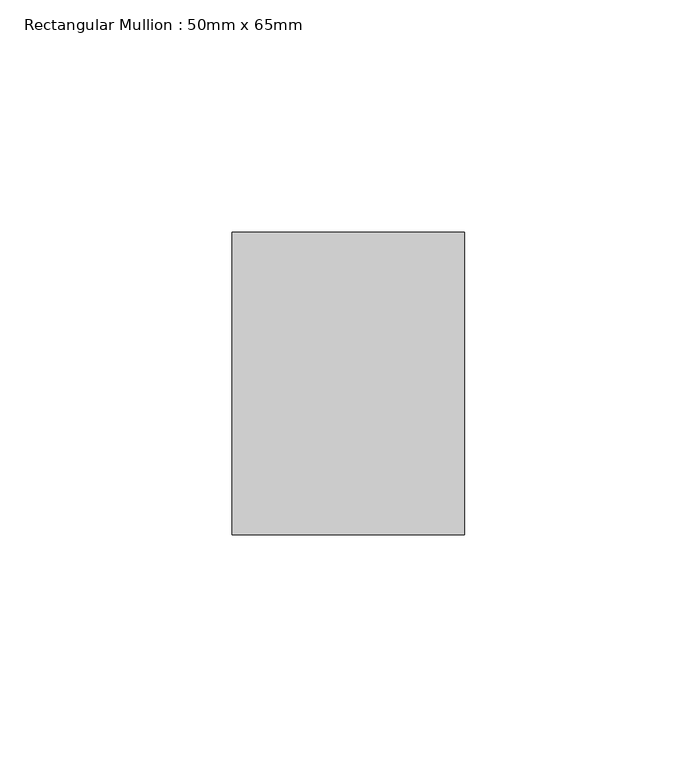
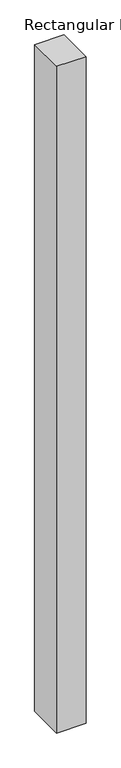
"""IFC4 building model written with IfcOpenShell, lengths in millimetres: member geometry, Rectangular Mullion : 50mm x 65mm."""

import ifcopenshell
import ifcopenshell.guid

model = None  # the IFC model being written
_history = None  # IfcOwnerHistory: only IFC2X3 demands one
_inside = {}  # id of a spatial element -> (the spatial element, [elements in it])
_under = {}  # id of a project, library or spatial element -> (it, [spatial elements below it])
_declared = {}  # id of a project -> (the project, [libraries it declares])
_typed = {}  # id of a type object -> (the type object, [elements of that type])
_made_of = {}  # id of a material, layer set ... -> (it, [elements and type objects made of it])


def new_model(schema):
    """Start an empty IFC model of exactly this schema.

    Asked for "IFC4X3", IfcOpenShell would pick the latest addendum, in which some entities
    have other attributes; the version numbers below select the first issue.
    IFC2X3 requires an IfcOwnerHistory on every rooted entity: one is made here for all.
    """
    global model, _history
    if schema == "IFC4X3":
        model = ifcopenshell.file(schema_version=(4, 3, 0, 0))
    else:
        model = ifcopenshell.file(schema=schema)
    _inside.clear()
    _under.clear()
    _declared.clear()
    _typed.clear()
    _made_of.clear()
    _history = None
    if model.schema == "IFC2X3":
        org = make("IfcOrganization", Name="unknown")
        user = make(
            "IfcPersonAndOrganization",
            ThePerson=make("IfcPerson", FamilyName="unknown"),
            TheOrganization=org,
        )
        app = make(
            "IfcApplication",
            ApplicationDeveloper=org,
            Version="unknown",
            ApplicationFullName="unknown",
            ApplicationIdentifier="unknown",
        )
        _history = make(
            "IfcOwnerHistory",
            OwningUser=user,
            OwningApplication=app,
            ChangeAction="ADDED",
            CreationDate=0,
        )
    return model


def make(cls, **values):
    """One entity of the class cls with the attributes given. An attribute that is None is left unset."""
    return model.create_entity(
        cls, **{name: value for name, value in values.items() if value is not None}
    )


def rooted(cls, **values):
    """An entity with a GlobalId (a new one), such as an element, a storey or a relation."""
    return make(cls, GlobalId=ifcopenshell.guid.new(), OwnerHistory=_history, **values)


def si_unit(unit_type, name, prefix=None):
    """IfcSIUnit, for example si_unit("LENGTHUNIT", "METRE", prefix="MILLI")."""
    return make("IfcSIUnit", UnitType=unit_type, Prefix=prefix, Name=name)


def assignment(units):
    """IfcUnitAssignment: the units of a project."""
    return None if units is None else make("IfcUnitAssignment", Units=units)


def point(xyz):
    """IfcCartesianPoint."""
    return None if xyz is None else make("IfcCartesianPoint", Coordinates=xyz)


def direction(xyz):
    """IfcDirection."""
    return None if xyz is None else make("IfcDirection", DirectionRatios=xyz)


def frame(location, z_axis=None, x_axis=None):
    """IfcAxis2Placement3D, a coordinate frame: its origin and axes. An axis left out is left unset."""
    return make(
        "IfcAxis2Placement3D",
        Location=point(location),
        Axis=direction(z_axis),
        RefDirection=direction(x_axis),
    )


def origin():
    """The frame at (0, 0, 0) with its axes left unset."""
    return frame((0.0, 0.0, 0.0))


def place(relative_to, where):
    """IfcLocalPlacement: puts the frame where relative to a parent placement (None: the world)."""
    return make(
        "IfcLocalPlacement", PlacementRelTo=relative_to, RelativePlacement=where
    )


def context(
    kind, dimensions, precision=None, world=None, true_north=None, identifier=None
):
    """IfcGeometricRepresentationContext, for example the 3D "Model" context."""
    return make(
        "IfcGeometricRepresentationContext",
        ContextIdentifier=identifier,
        ContextType=kind,
        CoordinateSpaceDimension=dimensions,
        Precision=precision,
        WorldCoordinateSystem=world,
        TrueNorth=true_north,
    )


def project(units=None, contexts=None):
    """IfcProject with its units and contexts."""
    return rooted(
        "IfcProject",
        Name="project",
        RepresentationContexts=contexts,
        UnitsInContext=assignment(units),
    )


def spatial(cls, under=None, at=None, **own):
    """A site, building, storey or space (cls), placed at a placement, below another one or the project."""
    s = rooted(cls, ObjectPlacement=at, **own)
    if under is not None:
        _under.setdefault(under.id(), (under, []))[1].append(s)
    return s


def polyline(points):
    """IfcPolyline through the points."""
    return make("IfcPolyline", Points=[point(p) for p in points])


def outline(outer, holes=None, kind="AREA"):
    """IfcArbitraryClosedProfileDef: a profile drawn as a closed curve; with holes, ...WithVoids."""
    if holes is None:
        return make("IfcArbitraryClosedProfileDef", ProfileType=kind, OuterCurve=outer)
    return make(
        "IfcArbitraryProfileDefWithVoids",
        ProfileType=kind,
        OuterCurve=outer,
        InnerCurves=holes,
    )


def extrude(swept, where, along, depth):
    """IfcExtrudedAreaSolid: the profile swept, set in the frame where, extruded along a direction by depth."""
    return make(
        "IfcExtrudedAreaSolid",
        SweptArea=swept,
        Position=where,
        ExtrudedDirection=direction(along),
        Depth=depth,
    )


def shape(context_of_items, identifier, shape_type, items):
    """IfcShapeRepresentation: the items that make up one representation, for example the "Body"."""
    return make(
        "IfcShapeRepresentation",
        ContextOfItems=context_of_items,
        RepresentationIdentifier=identifier,
        RepresentationType=shape_type,
        Items=items,
    )


def source(mapping_origin, context_of_items, identifier, shape_type, items):
    """IfcRepresentationMap: a shape defined once, which mapped items show again and again."""
    return make(
        "IfcRepresentationMap",
        MappingOrigin=mapping_origin,
        MappedRepresentation=shape(context_of_items, identifier, shape_type, items),
    )


def transform(
    local_origin,
    x_axis=None,
    y_axis=None,
    z_axis=None,
    scale=None,
    scale2=None,
    scale3=None,
    uniform=True,
):
    """IfcCartesianTransformationOperator3D, or its non-uniform kind. x_axis, y_axis, z_axis: its Axis1, 2, 3."""
    if uniform:
        return make(
            "IfcCartesianTransformationOperator3D",
            Axis1=direction(x_axis),
            Axis2=direction(y_axis),
            LocalOrigin=point(local_origin),
            Scale=scale,
            Axis3=direction(z_axis),
        )
    return make(
        "IfcCartesianTransformationOperator3DnonUniform",
        Axis1=direction(x_axis),
        Axis2=direction(y_axis),
        LocalOrigin=point(local_origin),
        Scale=scale,
        Axis3=direction(z_axis),
        Scale2=scale2,
        Scale3=scale3,
    )


def mapped(mapping_source, mapping_target):
    """IfcMappedItem: shows the shape of a source again, moved by a transform."""
    return make(
        "IfcMappedItem", MappingSource=mapping_source, MappingTarget=mapping_target
    )


def made_of(thing, what):
    """Note that an element or type object is made of a material, layer set ...; save() writes the relation."""
    if what is not None:
        _made_of.setdefault(what.id(), (what, []))[1].append(thing)
    return thing


def element(
    cls,
    number,
    at=None,
    inside=None,
    cuts=None,
    type_object=None,
    material=None,
    context=None,
    identifier="Body",
    shape_type=None,
    held_by="IfcProductDefinitionShape",
    body=None,
    shapes=None,
    **own,
):
    """One element of the class cls, such as IfcWall. Its Tag is "e" and its number.

    at: its placement. inside: the storey or other place that contains it. cuts: it is an
    opening in that element (IfcRelVoidsElement). A single representation is given by context,
    identifier, shape_type and body (its items); several are given by shapes. held_by: the class
    of the entity that holds the representations. save() writes the other relations.
    """
    e = rooted(cls, Tag="e%d" % number, ObjectPlacement=at, **own)
    if body is not None:
        shapes = [shape(context, identifier, shape_type, body)]
    if shapes is not None:
        e.Representation = make(held_by, Representations=shapes)
    if inside is not None:
        _inside.setdefault(inside.id(), (inside, []))[1].append(e)
    if cuts is not None:
        rooted(
            "IfcRelVoidsElement", RelatingBuildingElement=cuts, RelatedOpeningElement=e
        )
    if type_object is not None:
        _typed.setdefault(type_object.id(), (type_object, []))[1].append(e)
    return made_of(e, material)


def aggregate(whole, parts):
    """IfcRelAggregates: a whole, such as a stair, and the parts it consists of."""
    return rooted("IfcRelAggregates", RelatingObject=whole, RelatedObjects=parts)


def save(model, path):
    """Write the relations noted so far, then the file.

    IfcRelAggregates (storeys below a building ...), IfcRelContainedInSpatialStructure (elements
    in a storey), IfcRelDefinesByType, IfcRelAssociatesMaterial and IfcRelDeclares: one each for
    every whole, place, type object, material and project.
    """
    for whole, parts in _under.values():
        aggregate(whole, parts)
    for where, things in _inside.values():
        rooted(
            "IfcRelContainedInSpatialStructure",
            RelatedElements=things,
            RelatingStructure=where,
        )
    for kind, things in _typed.values():
        rooted("IfcRelDefinesByType", RelatedObjects=things, RelatingType=kind)
    for what, things in _made_of.values():
        rooted("IfcRelAssociatesMaterial", RelatedObjects=things, RelatingMaterial=what)
    for by, libraries in _declared.values():
        rooted("IfcRelDeclares", RelatingContext=by, RelatedDefinitions=libraries)
    model.write(path)


def rectangular_mullion_50mm_x_65mm_4498dccc(model_context):
    return source(origin(), model_context, "Body", "SweptSolid", [
        extrude(outline(polyline([(25.0, 32.5), (25.0, -32.5), (-25.0, -32.5), (-25.0, 32.5), (25.0, 32.5)])), frame((0.0, 0.0, -1205.1792815), z_axis=(0.0, 0.0, 1.0), x_axis=(1.0, 0.0, 0.0)), (0.0, 0.0, 1.0), 1205.1792815),
    ])


if __name__ == "__main__":
    model = new_model("IFC4")
    model_context = context("Model", 3, world=origin())
    ifc_project = project(units=[si_unit("LENGTHUNIT", "METRE", prefix="MILLI")], contexts=[model_context])
    site = spatial("IfcSite", under=ifc_project)
    building = spatial("IfcBuilding", under=site)
    placement = place(None, origin())
    rectangular_mullion_50mm_x_65mm_shape = rectangular_mullion_50mm_x_65mm_4498dccc(model_context)
    element("IfcMember", 1, ObjectType="Rectangular Mullion : 50mm x 65mm", at=placement, inside=building, context=model_context, shape_type="MappedRepresentation", body=[
        mapped(rectangular_mullion_50mm_x_65mm_shape, transform((0.0, 0.0, 0.0), x_axis=(1.0, 0.0, 0.0), y_axis=(0.0, 1.0, 0.0), z_axis=(0.0, 0.0, 1.0))),
    ])
    save(model, "model.ifc")
